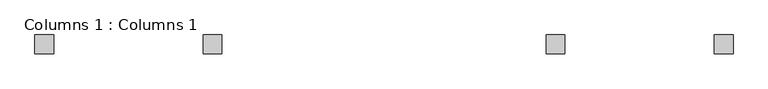
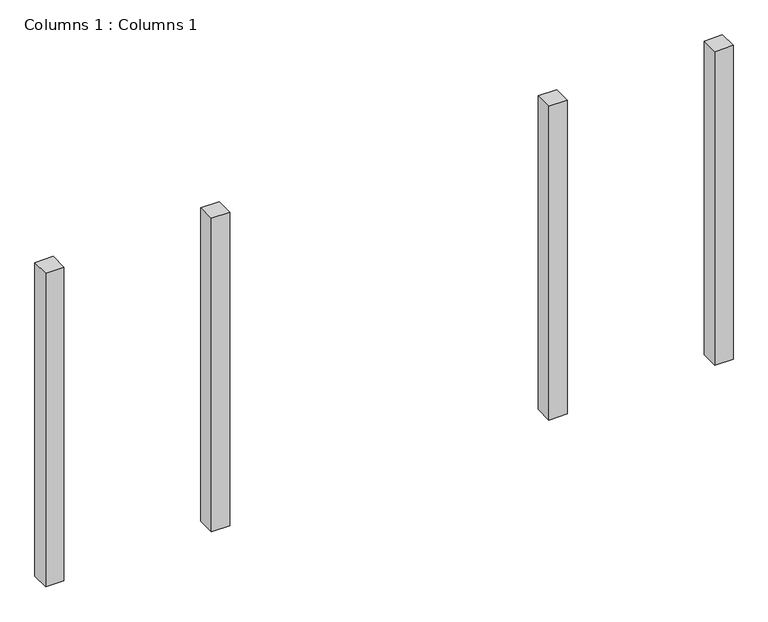
"""IFC4 building model written with IfcOpenShell, lengths in millimetres: column geometry, Columns 1 : Columns 1."""

from ifc_helpers import new_model, si_unit, origin, origin_with_axes, place, context, project, spatial, polyline, outline, extrude, source, transform, mapped, element, save


def columns_1_columns_1_624bba1c(model_context):
    return source(origin(), model_context, "Body", "SweptSolid", [
        extrude(outline(polyline([(27599.9999932, 16000.0000378), (27599.9999932, 15700.0000189), (27299.9999932, 15700.0000189), (27299.9999932, 16000.0000378), (27599.9999932, 16000.0000378)])), origin_with_axes(), (0.0, 0.0, 1.0), 5400.0),
        extrude(outline(polyline([(24899.9999932, 16000.0000378), (24899.9999932, 15700.0000189), (24599.9999932, 15700.0000189), (24599.9999932, 16000.0000378), (24899.9999932, 16000.0000378)])), origin_with_axes(), (0.0, 0.0, 1.0), 5400.0),
        extrude(outline(polyline([(19399.9999966, 16000.0000378), (19399.9999966, 15700.0000189), (19099.9999966, 15700.0000189), (19099.9999966, 16000.0000378), (19399.9999966, 16000.0000378)])), origin_with_axes(), (0.0, 0.0, 1.0), 5400.0),
        extrude(outline(polyline([(16699.9999932, 16000.0000378), (16699.9999932, 15700.0000189), (16399.9999932, 15700.0000189), (16399.9999932, 16000.0000378), (16699.9999932, 16000.0000378)])), origin_with_axes(), (0.0, 0.0, 1.0), 5400.0),
    ])


if __name__ == "__main__":
    model = new_model("IFC4")
    model_context = context("Model", 3, world=origin())
    ifc_project = project(units=[si_unit("LENGTHUNIT", "METRE", prefix="MILLI")], contexts=[model_context])
    site = spatial("IfcSite", under=ifc_project)
    building = spatial("IfcBuilding", under=site)
    placement = place(None, origin())
    columns_1_columns_1_shape = columns_1_columns_1_624bba1c(model_context)
    element("IfcColumn", 1, ObjectType="Columns 1 : Columns 1", at=placement, inside=building, context=model_context, shape_type="MappedRepresentation", body=[
        mapped(columns_1_columns_1_shape, transform((0.0, 0.0, 0.0), x_axis=(1.0, 0.0, 0.0), y_axis=(0.0, 1.0, 0.0), z_axis=(0.0, 0.0, 1.0))),
    ])
    save(model, "model.ifc")
